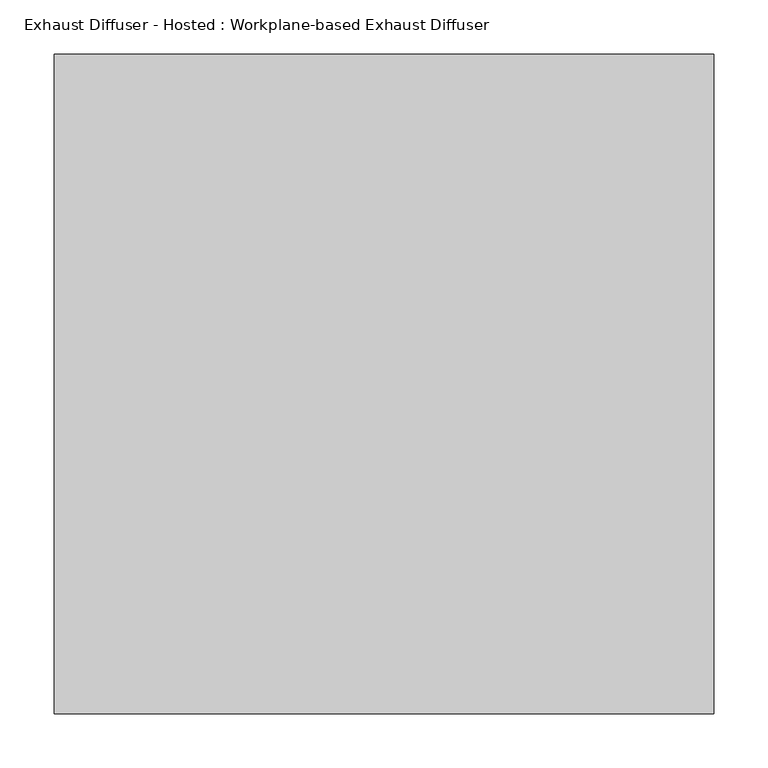
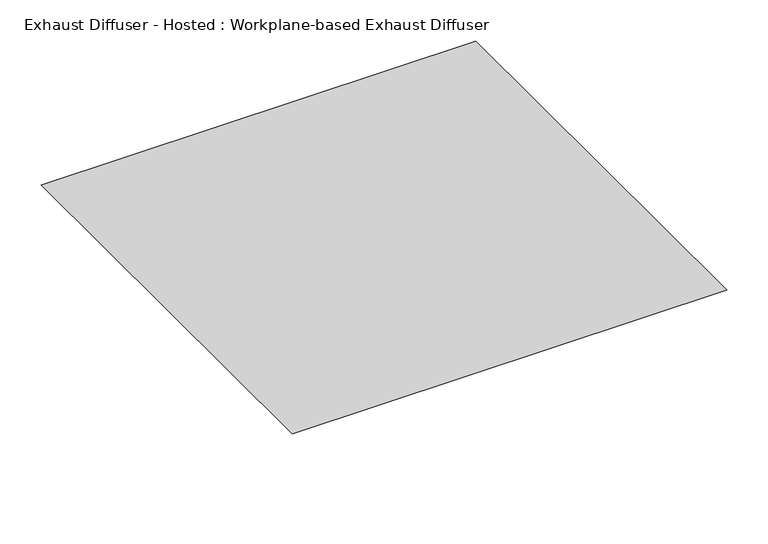
"""IFC4 building model written with IfcOpenShell, lengths in millimetres: air terminal geometry, Exhaust Diffuser - Hosted : Workplane-based Exhaust Diffuser."""

import ifcopenshell
import ifcopenshell.guid

model = None  # the IFC model being written
_history = None  # IfcOwnerHistory: only IFC2X3 demands one
_inside = {}  # id of a spatial element -> (the spatial element, [elements in it])
_under = {}  # id of a project, library or spatial element -> (it, [spatial elements below it])
_declared = {}  # id of a project -> (the project, [libraries it declares])
_typed = {}  # id of a type object -> (the type object, [elements of that type])
_made_of = {}  # id of a material, layer set ... -> (it, [elements and type objects made of it])


def new_model(schema):
    """Start an empty IFC model of exactly this schema.

    Asked for "IFC4X3", IfcOpenShell would pick the latest addendum, in which some entities
    have other attributes; the version numbers below select the first issue.
    IFC2X3 requires an IfcOwnerHistory on every rooted entity: one is made here for all.
    """
    global model, _history
    if schema == "IFC4X3":
        model = ifcopenshell.file(schema_version=(4, 3, 0, 0))
    else:
        model = ifcopenshell.file(schema=schema)
    _inside.clear()
    _under.clear()
    _declared.clear()
    _typed.clear()
    _made_of.clear()
    _history = None
    if model.schema == "IFC2X3":
        org = make("IfcOrganization", Name="unknown")
        user = make(
            "IfcPersonAndOrganization",
            ThePerson=make("IfcPerson", FamilyName="unknown"),
            TheOrganization=org,
        )
        app = make(
            "IfcApplication",
            ApplicationDeveloper=org,
            Version="unknown",
            ApplicationFullName="unknown",
            ApplicationIdentifier="unknown",
        )
        _history = make(
            "IfcOwnerHistory",
            OwningUser=user,
            OwningApplication=app,
            ChangeAction="ADDED",
            CreationDate=0,
        )
    return model


def make(cls, **values):
    """One entity of the class cls with the attributes given. An attribute that is None is left unset."""
    return model.create_entity(
        cls, **{name: value for name, value in values.items() if value is not None}
    )


def rooted(cls, **values):
    """An entity with a GlobalId (a new one), such as an element, a storey or a relation."""
    return make(cls, GlobalId=ifcopenshell.guid.new(), OwnerHistory=_history, **values)


def si_unit(unit_type, name, prefix=None):
    """IfcSIUnit, for example si_unit("LENGTHUNIT", "METRE", prefix="MILLI")."""
    return make("IfcSIUnit", UnitType=unit_type, Prefix=prefix, Name=name)


def assignment(units):
    """IfcUnitAssignment: the units of a project."""
    return None if units is None else make("IfcUnitAssignment", Units=units)


def point(xyz):
    """IfcCartesianPoint."""
    return None if xyz is None else make("IfcCartesianPoint", Coordinates=xyz)


def direction(xyz):
    """IfcDirection."""
    return None if xyz is None else make("IfcDirection", DirectionRatios=xyz)


def frame(location, z_axis=None, x_axis=None):
    """IfcAxis2Placement3D, a coordinate frame: its origin and axes. An axis left out is left unset."""
    return make(
        "IfcAxis2Placement3D",
        Location=point(location),
        Axis=direction(z_axis),
        RefDirection=direction(x_axis),
    )


def origin():
    """The frame at (0, 0, 0) with its axes left unset."""
    return frame((0.0, 0.0, 0.0))


def place(relative_to, where):
    """IfcLocalPlacement: puts the frame where relative to a parent placement (None: the world)."""
    return make(
        "IfcLocalPlacement", PlacementRelTo=relative_to, RelativePlacement=where
    )


def context(
    kind, dimensions, precision=None, world=None, true_north=None, identifier=None
):
    """IfcGeometricRepresentationContext, for example the 3D "Model" context."""
    return make(
        "IfcGeometricRepresentationContext",
        ContextIdentifier=identifier,
        ContextType=kind,
        CoordinateSpaceDimension=dimensions,
        Precision=precision,
        WorldCoordinateSystem=world,
        TrueNorth=true_north,
    )


def project(units=None, contexts=None):
    """IfcProject with its units and contexts."""
    return rooted(
        "IfcProject",
        Name="project",
        RepresentationContexts=contexts,
        UnitsInContext=assignment(units),
    )


def spatial(cls, under=None, at=None, **own):
    """A site, building, storey or space (cls), placed at a placement, below another one or the project."""
    s = rooted(cls, ObjectPlacement=at, **own)
    if under is not None:
        _under.setdefault(under.id(), (under, []))[1].append(s)
    return s


def faces_of(points, faces, orient=None, outer=None):
    """IfcFace entities. A face is a list of loops; a loop is a list of indices into points, from 0.

    orient and outer hold one flag for each loop. By default every Orientation is true, the
    first loop of a face is its IfcFaceOuterBound and the others are IfcFaceBound.
    """
    made = []
    for i, loops in enumerate(faces):
        bounds = []
        for j, loop in enumerate(loops):
            is_outer = j == 0 if outer is None else outer[i][j]
            bounds.append(
                make(
                    "IfcFaceOuterBound" if is_outer else "IfcFaceBound",
                    Bound=make("IfcPolyLoop", Polygon=[points[k] for k in loop]),
                    Orientation=True if orient is None else orient[i][j],
                )
            )
        made.append(make("IfcFace", Bounds=bounds))
    return made


def faceted_brep(points, faces, orient=None, outer=None, voids=None):
    """IfcFacetedBrep: a solid bounded by flat faces; with voids (closed shells), ...WithVoids."""
    shared = [point(p) for p in points]
    hull = make("IfcClosedShell", CfsFaces=faces_of(shared, faces, orient, outer))
    if voids is None:
        return make("IfcFacetedBrep", Outer=hull)
    return make(
        "IfcFacetedBrepWithVoids",
        Outer=hull,
        Voids=[
            make(cls, CfsFaces=faces_of(shared, fs, o, b)) for cls, fs, o, b in voids
        ],
    )


def shape(context_of_items, identifier, shape_type, items):
    """IfcShapeRepresentation: the items that make up one representation, for example the "Body"."""
    return make(
        "IfcShapeRepresentation",
        ContextOfItems=context_of_items,
        RepresentationIdentifier=identifier,
        RepresentationType=shape_type,
        Items=items,
    )


def source(mapping_origin, context_of_items, identifier, shape_type, items):
    """IfcRepresentationMap: a shape defined once, which mapped items show again and again."""
    return make(
        "IfcRepresentationMap",
        MappingOrigin=mapping_origin,
        MappedRepresentation=shape(context_of_items, identifier, shape_type, items),
    )


def transform(
    local_origin,
    x_axis=None,
    y_axis=None,
    z_axis=None,
    scale=None,
    scale2=None,
    scale3=None,
    uniform=True,
):
    """IfcCartesianTransformationOperator3D, or its non-uniform kind. x_axis, y_axis, z_axis: its Axis1, 2, 3."""
    if uniform:
        return make(
            "IfcCartesianTransformationOperator3D",
            Axis1=direction(x_axis),
            Axis2=direction(y_axis),
            LocalOrigin=point(local_origin),
            Scale=scale,
            Axis3=direction(z_axis),
        )
    return make(
        "IfcCartesianTransformationOperator3DnonUniform",
        Axis1=direction(x_axis),
        Axis2=direction(y_axis),
        LocalOrigin=point(local_origin),
        Scale=scale,
        Axis3=direction(z_axis),
        Scale2=scale2,
        Scale3=scale3,
    )


def mapped(mapping_source, mapping_target):
    """IfcMappedItem: shows the shape of a source again, moved by a transform."""
    return make(
        "IfcMappedItem", MappingSource=mapping_source, MappingTarget=mapping_target
    )


def made_of(thing, what):
    """Note that an element or type object is made of a material, layer set ...; save() writes the relation."""
    if what is not None:
        _made_of.setdefault(what.id(), (what, []))[1].append(thing)
    return thing


def element(
    cls,
    number,
    at=None,
    inside=None,
    cuts=None,
    type_object=None,
    material=None,
    context=None,
    identifier="Body",
    shape_type=None,
    held_by="IfcProductDefinitionShape",
    body=None,
    shapes=None,
    **own,
):
    """One element of the class cls, such as IfcWall. Its Tag is "e" and its number.

    at: its placement. inside: the storey or other place that contains it. cuts: it is an
    opening in that element (IfcRelVoidsElement). A single representation is given by context,
    identifier, shape_type and body (its items); several are given by shapes. held_by: the class
    of the entity that holds the representations. save() writes the other relations.
    """
    e = rooted(cls, Tag="e%d" % number, ObjectPlacement=at, **own)
    if body is not None:
        shapes = [shape(context, identifier, shape_type, body)]
    if shapes is not None:
        e.Representation = make(held_by, Representations=shapes)
    if inside is not None:
        _inside.setdefault(inside.id(), (inside, []))[1].append(e)
    if cuts is not None:
        rooted(
            "IfcRelVoidsElement", RelatingBuildingElement=cuts, RelatedOpeningElement=e
        )
    if type_object is not None:
        _typed.setdefault(type_object.id(), (type_object, []))[1].append(e)
    return made_of(e, material)


def aggregate(whole, parts):
    """IfcRelAggregates: a whole, such as a stair, and the parts it consists of."""
    return rooted("IfcRelAggregates", RelatingObject=whole, RelatedObjects=parts)


def save(model, path):
    """Write the relations noted so far, then the file.

    IfcRelAggregates (storeys below a building ...), IfcRelContainedInSpatialStructure (elements
    in a storey), IfcRelDefinesByType, IfcRelAssociatesMaterial and IfcRelDeclares: one each for
    every whole, place, type object, material and project.
    """
    for whole, parts in _under.values():
        aggregate(whole, parts)
    for where, things in _inside.values():
        rooted(
            "IfcRelContainedInSpatialStructure",
            RelatedElements=things,
            RelatingStructure=where,
        )
    for kind, things in _typed.values():
        rooted("IfcRelDefinesByType", RelatedObjects=things, RelatingType=kind)
    for what, things in _made_of.values():
        rooted("IfcRelAssociatesMaterial", RelatedObjects=things, RelatingMaterial=what)
    for by, libraries in _declared.values():
        rooted("IfcRelDeclares", RelatingContext=by, RelatedDefinitions=libraries)
    model.write(path)


def exhaust_diffuser_hosted_workplane_based_exhaust_diffuser_7695a80a(model_context):
    return source(origin(), model_context, "Body", "Brep", [
        faceted_brep([(304.8, 304.8, 0.0), (-304.8, 304.8, 0.0), (-304.8, -304.8, 0.0), (304.8, -304.8, 0.0), (152.4, 152.4, -101.8523776), (152.4, -152.4, -101.8523776), (-152.4, -152.4, -101.8523776), (-152.4, 152.4, -101.8523776)], [[[0, 1, 2, 3]], [[4, 5, 6, 7]], [[4, 7, 1, 0]], [[7, 6, 2, 1]], [[6, 5, 3, 2]], [[5, 4, 0, 3]]]),
    ])


if __name__ == "__main__":
    model = new_model("IFC4")
    model_context = context("Model", 3, world=origin())
    ifc_project = project(units=[si_unit("LENGTHUNIT", "METRE", prefix="MILLI")], contexts=[model_context])
    site = spatial("IfcSite", under=ifc_project)
    building = spatial("IfcBuilding", under=site)
    placement = place(None, origin())
    exhaust_diffuser_hosted_workplane_based_exhaust_diffuser_shape = exhaust_diffuser_hosted_workplane_based_exhaust_diffuser_7695a80a(model_context)
    element("IfcAirTerminal", 1, ObjectType="Exhaust Diffuser - Hosted : Workplane-based Exhaust Diffuser", at=placement, inside=building, context=model_context, shape_type="MappedRepresentation", body=[
        mapped(exhaust_diffuser_hosted_workplane_based_exhaust_diffuser_shape, transform((0.0, 0.0, 0.0), x_axis=(1.0, 0.0, 0.0), y_axis=(0.0, 1.0, 0.0), z_axis=(0.0, 0.0, 1.0))),
    ])
    save(model, "model.ifc")
